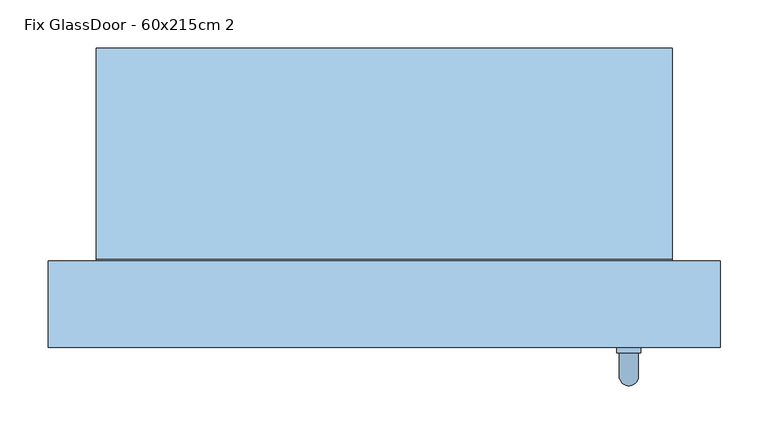
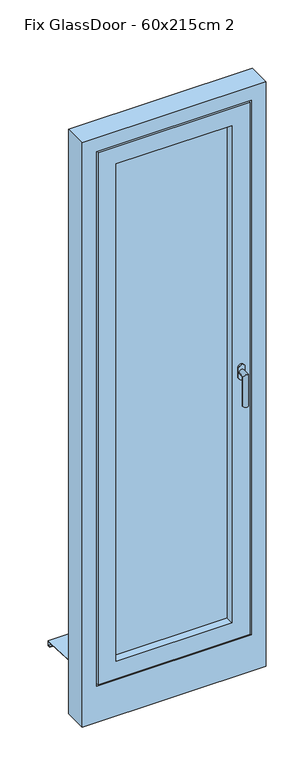
"""IFC4 building model written with IfcOpenShell, lengths in millimetres: window geometry, Fix GlassDoor - 60x215cm 2."""

from ifc_helpers import new_model, si_unit, frame, origin, place, context, project, spatial, polyline, circle_curve, ellipse_curve, outline, extrude, faceted_brep, source, transform, mapped, element, save
from ifc_brep_helpers import plane_surface, cylinder_surface, advanced_brep


def fix_glassdoor_60x215cm_2_d6d60a69(model_context):
    return source(origin(), model_context, "Body", "SolidModel", [
        advanced_brep(
        [(242.5, 35.0, 1087.5), (267.5, 35.0, 1087.5), (267.5, 35.0, 1070.0), (267.5, 35.0, 1052.5), (242.5, 35.0, 1052.5), (242.5, 35.0, 1070.0), (265.0, 5.0, 1070.0), (265.0, 29.0, 1070.0), (245.0, 29.0, 1070.0), (245.0, 5.0, 1070.0), (265.0, 5.0, 950.0), (245.0, 5.0, 950.0), (242.5, 29.0, 1087.5), (242.5, 29.0, 1070.0), (242.5, 29.0, 1052.5), (267.5, 29.0, 1052.5), (267.5, 29.0, 1070.0), (267.5, 29.0, 1087.5)],
        [
            (0, 1, circle_curve(frame((255.0, 35.0, 1087.5), z_axis=(0.0, 1.0, 0.0), x_axis=(-1.0, 0.0, 0.0)), 12.5)),
            (1, 2),
            (2, 3),
            (3, 4, circle_curve(frame((255.0, 35.0, 1052.5), z_axis=(0.0, 1.0, 0.0), x_axis=(-1.0, 0.0, 0.0)), 12.5)),
            (4, 5),
            (5, 0),
            (6, 7),
            (7, 8, circle_curve(frame((255.0, 29.0, 1070.0), z_axis=(0.0, -1.0, 0.0), x_axis=(-1.0, 0.0, 0.0)), 10.0)),
            (8, 9),
            (9, 6, ellipse_curve(frame((255.0, 5.0, 1070.0), z_axis=(0.0, 0.7071067811865498, 0.7071067811865451), x_axis=(0.0, 0.7071067811865452, -0.7071067811865497)), 14.1421356, 10.0)),
            (8, 7, circle_curve(frame((255.0, 29.0, 1070.0), z_axis=(0.0, -1.0, 0.0), x_axis=(-1.0, 0.0, 0.0)), 10.0)),
            (6, 9, ellipse_curve(frame((255.0, 5.0, 1070.0), z_axis=(0.0, 0.7071067811865498, 0.7071067811865451), x_axis=(0.0, 0.7071067811865452, -0.7071067811865497)), 14.1421356, 10.0)),
            (10, 11, circle_curve(frame((255.0, 5.0, 950.0), z_axis=(0.0, 0.0, -1.0), x_axis=(-1.0, 0.0, 0.0)), 10.0)),
            (11, 10, circle_curve(frame((255.0, 5.0, 950.0), z_axis=(0.0, 0.0, -1.0), x_axis=(-1.0, 0.0, 0.0)), 10.0)),
            (9, 11),
            (10, 6),
            (12, 13),
            (13, 14),
            (14, 15, circle_curve(frame((255.0, 29.0, 1052.5), z_axis=(0.0, -1.0, 0.0), x_axis=(-1.0, 0.0, 0.0)), 12.5)),
            (15, 16),
            (16, 17),
            (17, 12, circle_curve(frame((255.0, 29.0, 1087.5), z_axis=(0.0, -1.0, 0.0), x_axis=(-1.0, 0.0, 0.0)), 12.5)),
            (17, 1),
            (0, 12),
            (16, 2),
            (15, 3),
            (14, 4),
            (13, 5),
        ],
        [
            plane_surface(frame((255.0, 35.0, 1070.0), z_axis=(0.0, 1.0, 0.0), x_axis=(-1.0, 0.0, 0.0))),
            cylinder_surface(frame((255.0, 35.0, 1070.0), z_axis=(0.0, 1.0, 0.0), x_axis=(-1.0, 0.0, 0.0)), 10.0),
            plane_surface(frame((255.0, 5.0, 950.0), z_axis=(0.0, 0.0, -1.0), x_axis=(-1.0, 0.0, 0.0))),
            cylinder_surface(frame((255.0, 5.0, 1070.0), z_axis=(0.0, 0.0, 1.0), x_axis=(-1.0, 0.0, 0.0)), 10.0),
            plane_surface(frame((242.5, 29.0, 1087.5), z_axis=(0.0, -1.0, 0.0), x_axis=(0.0, 0.0, 1.0))),
            cylinder_surface(frame((255.0, 35.0, 1087.5), z_axis=(0.0, -1.0, 0.0), x_axis=(-1.0, 0.0, 0.0)), 12.5),
            plane_surface(frame((267.5, 29.0, 1087.5), z_axis=(1.0, 0.0, 0.0), x_axis=(0.0, 1.0, 0.0))),
            plane_surface(frame((267.5, 29.0, 1070.0), z_axis=(1.0, 0.0, 0.0), x_axis=(0.0, 1.0, 0.0))),
            cylinder_surface(frame((255.0, 35.0, 1052.5), z_axis=(0.0, -1.0, 0.0), x_axis=(-1.0, 0.0, 0.0)), 12.5),
            plane_surface(frame((242.5, 29.0, 1052.5), z_axis=(-1.0, 0.0, 0.0), x_axis=(0.0, 1.0, 0.0))),
            plane_surface(frame((242.5, 29.0, 1070.0), z_axis=(-1.0, 0.0, 0.0), x_axis=(0.0, 1.0, 0.0))),
        ],
        [
            (0, [[1, 2, 3, 4, 5, 6]]),
            (1, [[7, 8, 9, 10]]),
            (1, [[-9, 11, -7, 12]]),
            (2, [[13, 14]]),
            (3, [[15, -13, 16, -10]]),
            (3, [[-16, -14, -15, -12]]),
            (4, [[17, 18, 19, 20, 21, 22], [-11, -8]]),
            (5, [[23, -1, 24, -22]]),
            (6, [[25, -2, -23, -21]]),
            (7, [[26, -3, -25, -20]]),
            (8, [[27, -4, -26, -19]]),
            (9, [[28, -5, -27, -18]]),
            (10, [[-24, -6, -28, -17]]),
        ],
    ),
        faceted_brep([(-220.0, 35.0, 2070.0), (-220.0, 35.0, 70.0), (-220.0, 125.0, 70.0), (-220.0, 125.0, 2070.0), (-250.0, 125.0, 40.0), (-250.0, 125.0, 2100.0), (250.0, 125.0, 2100.0), (250.0, 125.0, 40.0), (220.0, 125.0, 70.0), (220.0, 125.0, 2070.0), (220.0, 35.0, 70.0), (-290.0, 35.0, 2140.0), (-290.0, 35.0, 0.0), (290.0, 35.0, 0.0), (290.0, 35.0, 2140.0), (220.0, 35.0, 2070.0), (-290.0, 50.0, 2140.0), (-290.0, 50.0, 0.0), (290.0, 50.0, 0.0), (290.0, 50.0, 2140.0), (-275.0, 50.0, 2125.0), (-275.0, 50.0, 15.0), (275.0, 50.0, 15.0), (275.0, 50.0, 2125.0), (-275.0, 80.0, 2125.0), (-275.0, 80.0, 15.0), (275.0, 80.0, 15.0), (275.0, 80.0, 2125.0), (-265.0, 80.0, 2115.0), (-265.0, 80.0, 25.0), (265.0, 80.0, 25.0), (265.0, 80.0, 2115.0), (-265.0, 110.0, 2115.0), (-265.0, 110.0, 25.0), (265.0, 110.0, 25.0), (265.0, 110.0, 2115.0), (-250.0, 110.0, 2100.0), (-250.0, 110.0, 40.0), (250.0, 110.0, 40.0), (250.0, 110.0, 2100.0)], [[[0, 1, 2, 3]], [[4, 5, 6, 7], [3, 2, 8, 9]], [[1, 10, 8, 2]], [[11, 12, 13, 14], [1, 0, 15, 10]], [[16, 17, 12, 11]], [[17, 18, 13, 12]], [[17, 16, 19, 18], [20, 21, 22, 23]], [[24, 25, 21, 20]], [[25, 26, 22, 21]], [[25, 24, 27, 26], [28, 29, 30, 31]], [[32, 33, 29, 28]], [[33, 34, 30, 29]], [[33, 32, 35, 34], [36, 37, 38, 39]], [[5, 4, 37, 36]], [[4, 7, 38, 37]], [[10, 15, 9, 8]], [[18, 19, 14, 13]], [[26, 27, 23, 22]], [[34, 35, 31, 30]], [[7, 6, 39, 38]], [[15, 0, 3, 9]], [[19, 16, 11, 14]], [[27, 24, 20, 23]], [[35, 32, 28, 31]], [[6, 5, 36, 39]]]),
        extrude(outline(polyline([(-220.0, 110.0), (220.0, 110.0), (220.0, 66.0), (-220.0, 66.0), (-220.0, 110.0)])), frame((0.0, 0.0, 70.0), z_axis=(0.0, 0.0, 1.0), x_axis=(1.0, 0.0, 0.0)), (0.0, 0.0, 1.0), 2000.0),
        faceted_brep([(-300.0, 347.0, -9.0998752), (-300.0, 325.0, -7.9998752), (-300.0, 127.0, 1.9001248), (300.0, 127.0, 1.9001248), (300.0, 325.0, -7.9998752), (300.0, 347.0, -9.0998752), (-300.0, 347.0, -29.0998752), (300.0, 347.0, -29.0998752), (-300.0, 335.0, -29.0998752), (300.0, 335.0, -29.0998752), (-300.0, 335.0, -27.0998752), (300.0, 335.0, -27.0998752), (-300.0, 345.0, -27.0998752), (300.0, 345.0, -27.0998752), (-300.0, 345.0, -11.0), (300.0, 345.0, -11.0), (-300.0, 325.0, -10.0), (300.0, 325.0, -10.0), (300.0, 125.0, 0.0), (-300.0, 125.0, 0.0), (-300.0, 125.0, 20.0), (300.0, 125.0, 20.0), (-300.0, 127.0, 20.0), (300.0, 127.0, 20.0)], [[[0, 1, 2, 3, 4, 5]], [[6, 0, 5, 7]], [[8, 6, 7, 9]], [[10, 8, 9, 11]], [[12, 10, 11, 13]], [[14, 12, 13, 15]], [[16, 14, 15, 17, 18, 19]], [[20, 19, 18, 21]], [[22, 20, 21, 23]], [[2, 22, 23, 3]], [[16, 1, 0, 6, 8, 10, 12, 14]], [[17, 4, 3, 23, 21, 18]], [[1, 16, 19, 20, 22, 2]], [[4, 17, 15, 13, 11, 9, 7, 5]]]),
        faceted_brep([(350.0, 125.0, -150.0), (350.0, 35.0, -150.0), (-350.0, 35.0, -150.0), (-350.0, 125.0, -150.0), (350.0, 125.0, 2200.0), (350.0, 35.0, 2200.0), (-350.0, 35.0, 2200.0), (295.0, 35.0, 2145.0), (295.0, 35.0, -5.0), (-295.0, 35.0, -5.0), (-295.0, 35.0, 2145.0), (-350.0, 125.0, 2200.0), (255.0, 125.0, 35.0), (255.0, 125.0, 2105.0), (-255.0, 125.0, 2105.0), (-255.0, 125.0, 35.0), (255.0, 110.0, 35.0), (255.0, 110.0, 2105.0), (-255.0, 110.0, 35.0), (-255.0, 110.0, 2105.0), (295.0, 50.0, 2145.0), (295.0, 50.0, -5.0), (-295.0, 50.0, -5.0), (-295.0, 50.0, 2145.0), (280.0, 50.0, 2130.0), (280.0, 50.0, 10.0), (-280.0, 50.0, 10.0), (-280.0, 50.0, 2130.0), (280.0, 80.0, 10.0), (280.0, 80.0, 2130.0), (-280.0, 80.0, 2130.0), (-280.0, 80.0, 10.0), (270.0, 80.0, 2120.0), (270.0, 80.0, 20.0), (-270.0, 80.0, 20.0), (-270.0, 80.0, 2120.0), (270.0, 110.0, 20.0), (270.0, 110.0, 2120.0), (-270.0, 110.0, 2120.0), (-270.0, 110.0, 20.0)], [[[0, 1, 2, 3]], [[4, 5, 1, 0]], [[5, 6, 2, 1], [7, 8, 9, 10]], [[6, 11, 3, 2]], [[11, 4, 0, 3], [12, 13, 14, 15]], [[12, 16, 17, 13]], [[18, 15, 14, 19]], [[16, 12, 15, 18]], [[20, 21, 8, 7]], [[8, 21, 22, 9]], [[9, 22, 23, 10]], [[21, 20, 23, 22], [24, 25, 26, 27]], [[28, 29, 30, 31], [32, 33, 34, 35]], [[29, 28, 25, 24]], [[25, 28, 31, 26]], [[36, 37, 38, 39], [17, 16, 18, 19]], [[37, 36, 33, 32]], [[33, 36, 39, 34]], [[26, 31, 30, 27]], [[34, 39, 38, 35]], [[4, 11, 6, 5]], [[20, 7, 10, 23]], [[29, 24, 27, 30]], [[37, 32, 35, 38]], [[13, 17, 19, 14]]]),
    ])


if __name__ == "__main__":
    model = new_model("IFC4")
    model_context = context("Model", 3, world=origin())
    ifc_project = project(units=[si_unit("LENGTHUNIT", "METRE", prefix="MILLI")], contexts=[model_context])
    site = spatial("IfcSite", under=ifc_project)
    building = spatial("IfcBuilding", under=site)
    placement = place(None, origin())
    fix_glassdoor_60x215cm_2_shape = fix_glassdoor_60x215cm_2_d6d60a69(model_context)
    element("IfcWindow", 1, ObjectType="Fix GlassDoor - 60x215cm 2", at=placement, inside=building, context=model_context, shape_type="MappedRepresentation", body=[
        mapped(fix_glassdoor_60x215cm_2_shape, transform((0.0, 0.0, 0.0), x_axis=(1.0, 0.0, 0.0), y_axis=(0.0, 1.0, 0.0), z_axis=(0.0, 0.0, 1.0))),
    ])
    save(model, "model.ifc")
